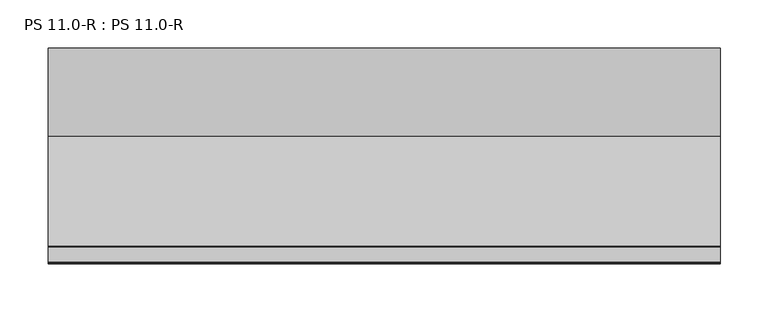
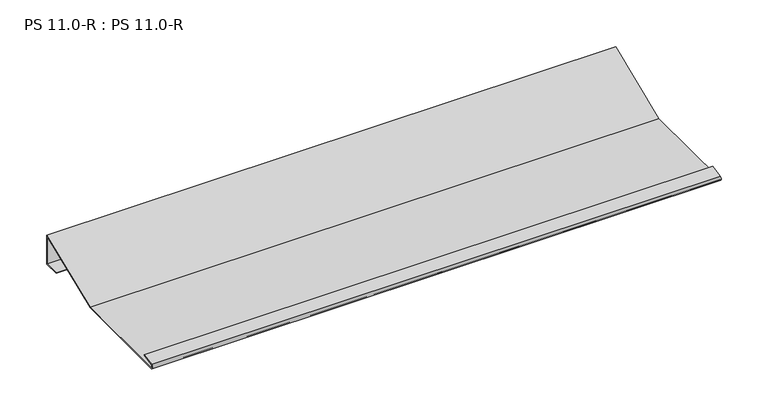
"""IFC4 building model written with IfcOpenShell, lengths in millimetres: proxy geometry, PS 11.0-R : PS 11.0-R."""

from ifc_helpers import new_model, si_unit, point, frame, frame_2d, origin, place, context, project, spatial, polyline, circle_curve, trimmed, segment, composite_curve, outline, extrude, source, transform, mapped, element, save


def ps_11_0_r_ps_11_0_r_e7744ea6(model_context):
    return source(origin(), model_context, "Body", "SweptSolid", [
        extrude(outline(composite_curve([segment(polyline([(-92.2328913, 0.5), (0.0, 38.0), (0.0, 0.5), (-20.0, 0.5), (-20.0, 1.5), (-1.0, 1.5), (-1.0, 36.4987317), (-92.0, -0.5), (-222.7963586, -0.5)]), True, "CONTINUOUS"), segment(trimmed(circle_curve(frame_2d((-221.9700946, 2.4215767)), 3.0361691), [point((-222.7963586, -0.5))], [point((-223.163909, 5.2131944))], False, "CARTESIAN"), True, "CONTINUOUS"), segment(polyline([(-223.163909, 5.2131944), (-207.4140687, 8.2359048), (-207.1307182, 7.2866995), (-222.807341, 4.278041)]), True, "CONTINUOUS"), segment(trimmed(circle_curve(frame_2d((-221.9419644, 2.4153551)), 2.0538928), [point((-222.807341, 4.278041))], [point((-222.6835104, 0.5))], True, "CARTESIAN"), True, "CONTINUOUS"), segment(polyline([(-222.6835104, 0.5), (-92.2328913, 0.5)]), True, "CONTINUOUS")], self_intersect=False)), frame((0.0, 0.0, 0.0), z_axis=(1.0, 0.0, 0.0), x_axis=(0.0, 1.0, 0.0)), (0.0, 0.0, 1.0), 700.0),
    ])


if __name__ == "__main__":
    model = new_model("IFC4")
    model_context = context("Model", 3, world=origin())
    ifc_project = project(units=[si_unit("LENGTHUNIT", "METRE", prefix="MILLI")], contexts=[model_context])
    site = spatial("IfcSite", under=ifc_project)
    building = spatial("IfcBuilding", under=site)
    placement = place(None, origin())
    ps_11_0_r_ps_11_0_r_shape = ps_11_0_r_ps_11_0_r_e7744ea6(model_context)
    element("IfcBuildingElementProxy", 1, Name="PS 11.0-R : PS 11.0-R", ObjectType="PS 11.0-R : PS 11.0-R", at=placement, inside=building, context=model_context, shape_type="MappedRepresentation", body=[
        mapped(ps_11_0_r_ps_11_0_r_shape, transform((0.0, 0.0, 0.0), x_axis=(1.0, 0.0, 0.0), y_axis=(0.0, 1.0, 0.0), z_axis=(0.0, 0.0, 1.0))),
    ])
    save(model, "model.ifc")
